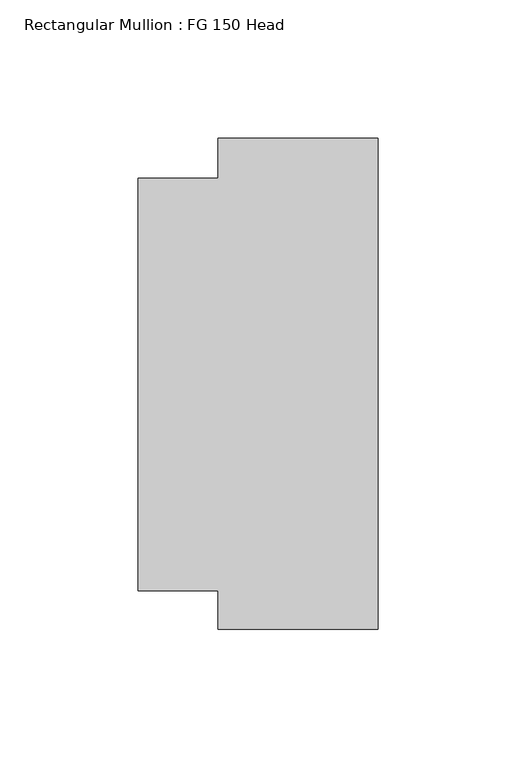
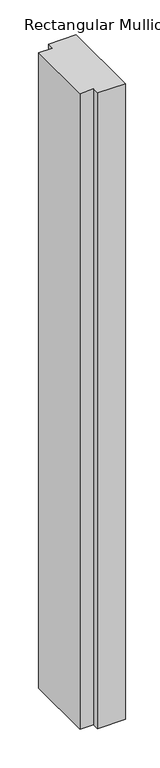
"""IFC4 building model written with IfcOpenShell, lengths in millimetres: member geometry, Rectangular Mullion : FG 150 Head."""

from ifc_helpers import new_model, si_unit, frame, origin, place, context, project, spatial, polyline, outline, extrude, source, transform, mapped, element, save


def rectangular_mullion_fg_150_head_59eafad8(model_context):
    return source(origin(), model_context, "Body", "SweptSolid", [
        extrude(outline(polyline([(0.0, -88.9972639), (-58.0, -88.9972639), (-58.0, -74.9972639), (-87.0, -74.9972639), (-87.0, 74.5027361), (-58.0, 74.5027361), (-58.0, 89.0027361), (0.0, 89.0027361), (0.0, -88.9972639)])), frame((0.0, 0.0, -1407.5281277), z_axis=(0.0, 0.0, 1.0), x_axis=(1.0, 0.0, 0.0)), (0.0, 0.0, 1.0), 1407.5281277),
    ])


if __name__ == "__main__":
    model = new_model("IFC4")
    model_context = context("Model", 3, world=origin())
    ifc_project = project(units=[si_unit("LENGTHUNIT", "METRE", prefix="MILLI")], contexts=[model_context])
    site = spatial("IfcSite", under=ifc_project)
    building = spatial("IfcBuilding", under=site)
    placement = place(None, origin())
    rectangular_mullion_fg_150_head_shape = rectangular_mullion_fg_150_head_59eafad8(model_context)
    element("IfcMember", 1, ObjectType="Rectangular Mullion : FG 150 Head", at=placement, inside=building, context=model_context, shape_type="MappedRepresentation", body=[
        mapped(rectangular_mullion_fg_150_head_shape, transform((0.0, 0.0, 0.0), x_axis=(1.0, 0.0, 0.0), y_axis=(0.0, 1.0, 0.0), z_axis=(0.0, 0.0, 1.0))),
    ])
    save(model, "model.ifc")
